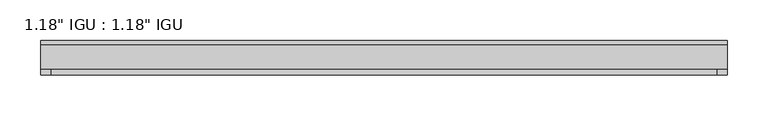
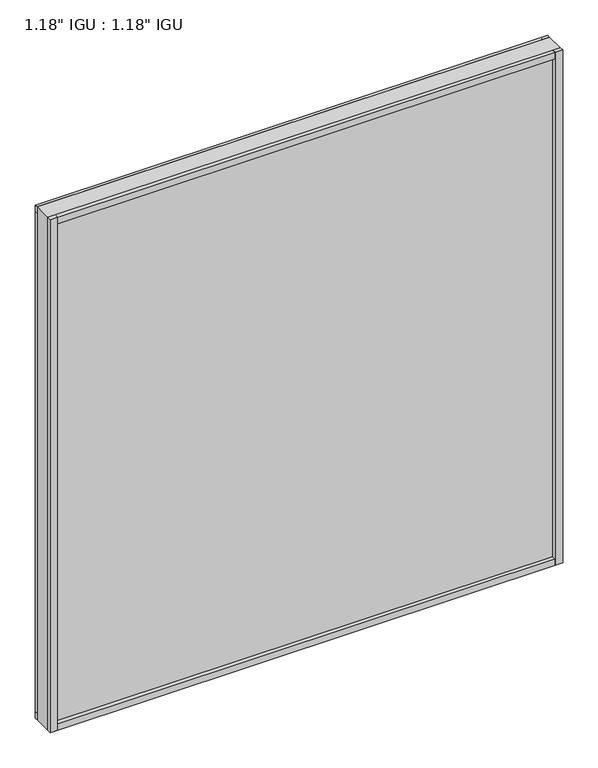
"""IFC4 building model written with IfcOpenShell, lengths in millimetres: plate geometry."""

from ifc_helpers import new_model, si_unit, frame, origin, origin_with_axes, place, context, project, spatial, polyline, outline, extrude, source, transform, mapped, element, save


def plate_3a814f43(model_context):
    return source(origin(), model_context, "Body", "SweptSolid", [
        extrude(outline(polyline([(418.5046875, -9.7647125), (418.5046875, -14.5399125), (-418.5046875, -14.5399125), (-418.5046875, -9.7647125), (418.5046875, -9.7647125)])), origin_with_axes(), (0.0, 0.0, 1.0), 11.1252),
        extrude(outline(polyline([(-418.5046875, -14.5399125), (-418.5046875, -9.7647125), (418.5046875, -9.7647125), (418.5046875, -14.5399125), (-418.5046875, -14.5399125)])), frame((0.0, 0.0, 874.7252), z_axis=(0.0, 0.0, 1.0), x_axis=(1.0, 0.0, 0.0)), (0.0, 0.0, 1.0), 11.1252),
        extrude(outline(polyline([(418.5046875, -44.6643125), (418.5046875, -51.3953125), (406.3670079, -51.3953125), (406.3670079, -44.6643125), (418.5046875, -44.6643125)])), origin_with_axes(), (0.0, 0.0, 1.0), 885.8504),
        extrude(outline(polyline([(418.5046875, -9.7765488), (418.5046875, -14.5399125), (406.4922637, -14.5399125), (406.4922637, -9.7765488), (418.5046875, -9.7765488)])), origin_with_axes(), (0.0, 0.0, 1.0), 885.8504),
        extrude(outline(polyline([(-406.4841104, -51.3953125), (-418.5046875, -51.3953125), (-418.5046875, -44.6643125), (-406.4841104, -44.6643125), (-406.4841104, -51.3953125)])), origin_with_axes(), (0.0, 0.0, 1.0), 885.8504),
        extrude(outline(polyline([(-406.4841104, -14.5399125), (-418.5046875, -14.5399125), (-418.5046875, -9.7647125), (-406.4841104, -9.7647125), (-406.4841104, -14.5399125)])), origin_with_axes(), (0.0, 0.0, 1.0), 885.8504),
        extrude(outline(polyline([(418.5046875, -44.6643125), (418.5046875, -51.3953125), (-418.5046875, -51.3953125), (-418.5046875, -44.6643125), (418.5046875, -44.6643125)])), origin_with_axes(), (0.0, 0.0, 1.0), 11.1693096),
        extrude(outline(polyline([(418.5046875, -44.6643125), (418.5046875, -51.3953125), (-418.5046875, -51.3953125), (-418.5046875, -44.6643125), (418.5046875, -44.6643125)])), frame((0.0, 0.0, 874.6692942), z_axis=(0.0, 0.0, 1.0), x_axis=(1.0, 0.0, 0.0)), (0.0, 0.0, 1.0), 11.1811058),
        extrude(outline(polyline([(418.5046875, -44.6643125), (-418.5046875, -44.6643125), (-418.5046875, -14.5399125), (418.5046875, -14.5399125), (418.5046875, -44.6643125)])), origin_with_axes(), (0.0, 0.0, 1.0), 885.8504),
    ])


if __name__ == "__main__":
    model = new_model("IFC4")
    model_context = context("Model", 3, world=origin())
    ifc_project = project(units=[si_unit("LENGTHUNIT", "METRE", prefix="MILLI")], contexts=[model_context])
    site = spatial("IfcSite", under=ifc_project)
    building = spatial("IfcBuilding", under=site)
    placement = place(None, origin())
    plate_shape = plate_3a814f43(model_context)
    element("IfcPlate", 1, ObjectType="1.18\" IGU : 1.18\" IGU", at=placement, inside=building, context=model_context, shape_type="MappedRepresentation", body=[
        mapped(plate_shape, transform((0.0, 0.0, 0.0), x_axis=(1.0, 0.0, 0.0), y_axis=(0.0, 1.0, 0.0), z_axis=(0.0, 0.0, 1.0))),
    ])
    save(model, "model.ifc")
